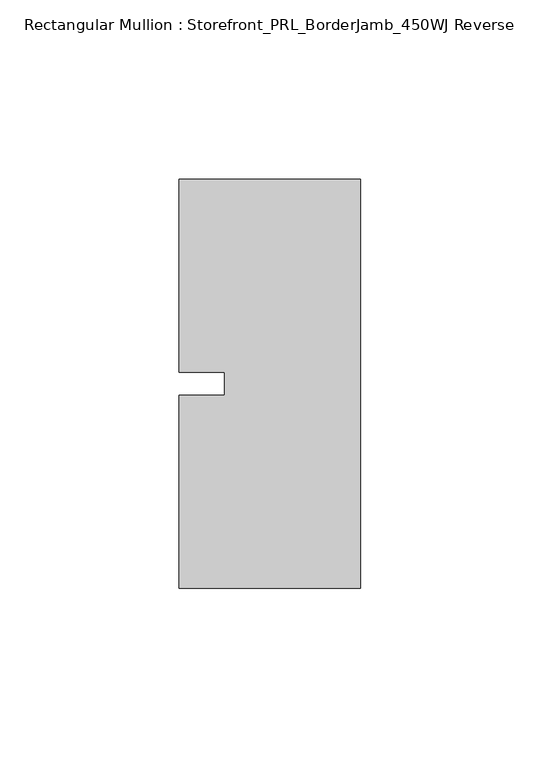
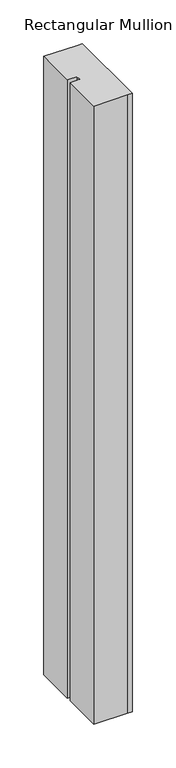
"""IFC4 building model written with IfcOpenShell, lengths in millimetres: member geometry, Rectangular Mullion : Storefront_PRL_BorderJamb_450WJ Reverse."""

import ifcopenshell
import ifcopenshell.guid

model = None  # the IFC model being written
_history = None  # IfcOwnerHistory: only IFC2X3 demands one
_inside = {}  # id of a spatial element -> (the spatial element, [elements in it])
_under = {}  # id of a project, library or spatial element -> (it, [spatial elements below it])
_declared = {}  # id of a project -> (the project, [libraries it declares])
_typed = {}  # id of a type object -> (the type object, [elements of that type])
_made_of = {}  # id of a material, layer set ... -> (it, [elements and type objects made of it])


def new_model(schema):
    """Start an empty IFC model of exactly this schema.

    Asked for "IFC4X3", IfcOpenShell would pick the latest addendum, in which some entities
    have other attributes; the version numbers below select the first issue.
    IFC2X3 requires an IfcOwnerHistory on every rooted entity: one is made here for all.
    """
    global model, _history
    if schema == "IFC4X3":
        model = ifcopenshell.file(schema_version=(4, 3, 0, 0))
    else:
        model = ifcopenshell.file(schema=schema)
    _inside.clear()
    _under.clear()
    _declared.clear()
    _typed.clear()
    _made_of.clear()
    _history = None
    if model.schema == "IFC2X3":
        org = make("IfcOrganization", Name="unknown")
        user = make(
            "IfcPersonAndOrganization",
            ThePerson=make("IfcPerson", FamilyName="unknown"),
            TheOrganization=org,
        )
        app = make(
            "IfcApplication",
            ApplicationDeveloper=org,
            Version="unknown",
            ApplicationFullName="unknown",
            ApplicationIdentifier="unknown",
        )
        _history = make(
            "IfcOwnerHistory",
            OwningUser=user,
            OwningApplication=app,
            ChangeAction="ADDED",
            CreationDate=0,
        )
    return model


def make(cls, **values):
    """One entity of the class cls with the attributes given. An attribute that is None is left unset."""
    return model.create_entity(
        cls, **{name: value for name, value in values.items() if value is not None}
    )


def rooted(cls, **values):
    """An entity with a GlobalId (a new one), such as an element, a storey or a relation."""
    return make(cls, GlobalId=ifcopenshell.guid.new(), OwnerHistory=_history, **values)


def si_unit(unit_type, name, prefix=None):
    """IfcSIUnit, for example si_unit("LENGTHUNIT", "METRE", prefix="MILLI")."""
    return make("IfcSIUnit", UnitType=unit_type, Prefix=prefix, Name=name)


def assignment(units):
    """IfcUnitAssignment: the units of a project."""
    return None if units is None else make("IfcUnitAssignment", Units=units)


def point(xyz):
    """IfcCartesianPoint."""
    return None if xyz is None else make("IfcCartesianPoint", Coordinates=xyz)


def direction(xyz):
    """IfcDirection."""
    return None if xyz is None else make("IfcDirection", DirectionRatios=xyz)


def frame(location, z_axis=None, x_axis=None):
    """IfcAxis2Placement3D, a coordinate frame: its origin and axes. An axis left out is left unset."""
    return make(
        "IfcAxis2Placement3D",
        Location=point(location),
        Axis=direction(z_axis),
        RefDirection=direction(x_axis),
    )


def origin():
    """The frame at (0, 0, 0) with its axes left unset."""
    return frame((0.0, 0.0, 0.0))


def place(relative_to, where):
    """IfcLocalPlacement: puts the frame where relative to a parent placement (None: the world)."""
    return make(
        "IfcLocalPlacement", PlacementRelTo=relative_to, RelativePlacement=where
    )


def context(
    kind, dimensions, precision=None, world=None, true_north=None, identifier=None
):
    """IfcGeometricRepresentationContext, for example the 3D "Model" context."""
    return make(
        "IfcGeometricRepresentationContext",
        ContextIdentifier=identifier,
        ContextType=kind,
        CoordinateSpaceDimension=dimensions,
        Precision=precision,
        WorldCoordinateSystem=world,
        TrueNorth=true_north,
    )


def project(units=None, contexts=None):
    """IfcProject with its units and contexts."""
    return rooted(
        "IfcProject",
        Name="project",
        RepresentationContexts=contexts,
        UnitsInContext=assignment(units),
    )


def spatial(cls, under=None, at=None, **own):
    """A site, building, storey or space (cls), placed at a placement, below another one or the project."""
    s = rooted(cls, ObjectPlacement=at, **own)
    if under is not None:
        _under.setdefault(under.id(), (under, []))[1].append(s)
    return s


def polyline(points):
    """IfcPolyline through the points."""
    return make("IfcPolyline", Points=[point(p) for p in points])


def outline(outer, holes=None, kind="AREA"):
    """IfcArbitraryClosedProfileDef: a profile drawn as a closed curve; with holes, ...WithVoids."""
    if holes is None:
        return make("IfcArbitraryClosedProfileDef", ProfileType=kind, OuterCurve=outer)
    return make(
        "IfcArbitraryProfileDefWithVoids",
        ProfileType=kind,
        OuterCurve=outer,
        InnerCurves=holes,
    )


def extrude(swept, where, along, depth):
    """IfcExtrudedAreaSolid: the profile swept, set in the frame where, extruded along a direction by depth."""
    return make(
        "IfcExtrudedAreaSolid",
        SweptArea=swept,
        Position=where,
        ExtrudedDirection=direction(along),
        Depth=depth,
    )


def shape(context_of_items, identifier, shape_type, items):
    """IfcShapeRepresentation: the items that make up one representation, for example the "Body"."""
    return make(
        "IfcShapeRepresentation",
        ContextOfItems=context_of_items,
        RepresentationIdentifier=identifier,
        RepresentationType=shape_type,
        Items=items,
    )


def source(mapping_origin, context_of_items, identifier, shape_type, items):
    """IfcRepresentationMap: a shape defined once, which mapped items show again and again."""
    return make(
        "IfcRepresentationMap",
        MappingOrigin=mapping_origin,
        MappedRepresentation=shape(context_of_items, identifier, shape_type, items),
    )


def transform(
    local_origin,
    x_axis=None,
    y_axis=None,
    z_axis=None,
    scale=None,
    scale2=None,
    scale3=None,
    uniform=True,
):
    """IfcCartesianTransformationOperator3D, or its non-uniform kind. x_axis, y_axis, z_axis: its Axis1, 2, 3."""
    if uniform:
        return make(
            "IfcCartesianTransformationOperator3D",
            Axis1=direction(x_axis),
            Axis2=direction(y_axis),
            LocalOrigin=point(local_origin),
            Scale=scale,
            Axis3=direction(z_axis),
        )
    return make(
        "IfcCartesianTransformationOperator3DnonUniform",
        Axis1=direction(x_axis),
        Axis2=direction(y_axis),
        LocalOrigin=point(local_origin),
        Scale=scale,
        Axis3=direction(z_axis),
        Scale2=scale2,
        Scale3=scale3,
    )


def mapped(mapping_source, mapping_target):
    """IfcMappedItem: shows the shape of a source again, moved by a transform."""
    return make(
        "IfcMappedItem", MappingSource=mapping_source, MappingTarget=mapping_target
    )


def made_of(thing, what):
    """Note that an element or type object is made of a material, layer set ...; save() writes the relation."""
    if what is not None:
        _made_of.setdefault(what.id(), (what, []))[1].append(thing)
    return thing


def element(
    cls,
    number,
    at=None,
    inside=None,
    cuts=None,
    type_object=None,
    material=None,
    context=None,
    identifier="Body",
    shape_type=None,
    held_by="IfcProductDefinitionShape",
    body=None,
    shapes=None,
    **own,
):
    """One element of the class cls, such as IfcWall. Its Tag is "e" and its number.

    at: its placement. inside: the storey or other place that contains it. cuts: it is an
    opening in that element (IfcRelVoidsElement). A single representation is given by context,
    identifier, shape_type and body (its items); several are given by shapes. held_by: the class
    of the entity that holds the representations. save() writes the other relations.
    """
    e = rooted(cls, Tag="e%d" % number, ObjectPlacement=at, **own)
    if body is not None:
        shapes = [shape(context, identifier, shape_type, body)]
    if shapes is not None:
        e.Representation = make(held_by, Representations=shapes)
    if inside is not None:
        _inside.setdefault(inside.id(), (inside, []))[1].append(e)
    if cuts is not None:
        rooted(
            "IfcRelVoidsElement", RelatingBuildingElement=cuts, RelatedOpeningElement=e
        )
    if type_object is not None:
        _typed.setdefault(type_object.id(), (type_object, []))[1].append(e)
    return made_of(e, material)


def aggregate(whole, parts):
    """IfcRelAggregates: a whole, such as a stair, and the parts it consists of."""
    return rooted("IfcRelAggregates", RelatingObject=whole, RelatedObjects=parts)


def save(model, path):
    """Write the relations noted so far, then the file.

    IfcRelAggregates (storeys below a building ...), IfcRelContainedInSpatialStructure (elements
    in a storey), IfcRelDefinesByType, IfcRelAssociatesMaterial and IfcRelDeclares: one each for
    every whole, place, type object, material and project.
    """
    for whole, parts in _under.values():
        aggregate(whole, parts)
    for where, things in _inside.values():
        rooted(
            "IfcRelContainedInSpatialStructure",
            RelatedElements=things,
            RelatingStructure=where,
        )
    for kind, things in _typed.values():
        rooted("IfcRelDefinesByType", RelatedObjects=things, RelatingType=kind)
    for what, things in _made_of.values():
        rooted("IfcRelAssociatesMaterial", RelatedObjects=things, RelatingMaterial=what)
    for by, libraries in _declared.values():
        rooted("IfcRelDeclares", RelatingContext=by, RelatedDefinitions=libraries)
    model.write(path)


def rectangular_mullion_storefront_prl_borderjamb_450wj_reverse_3b39d6e1(model_context):
    return source(origin(), model_context, "Body", "SweptSolid", [
        extrude(outline(polyline([(-38.1, -3.175), (-38.1, 3.175), (-50.8, 3.175), (-50.8, 57.15), (-7.3958824, 57.15), (0.0, 57.15), (0.0, -57.15), (-6.35, -57.15), (-50.8, -57.15), (-50.8, -3.175), (-38.1, -3.175)])), frame((0.0, 0.0, -863.6), z_axis=(0.0, 0.0, 1.0), x_axis=(1.0, 0.0, 0.0)), (0.0, 0.0, 1.0), 863.6),
    ])


if __name__ == "__main__":
    model = new_model("IFC4")
    model_context = context("Model", 3, world=origin())
    ifc_project = project(units=[si_unit("LENGTHUNIT", "METRE", prefix="MILLI")], contexts=[model_context])
    site = spatial("IfcSite", under=ifc_project)
    building = spatial("IfcBuilding", under=site)
    placement = place(None, origin())
    rectangular_mullion_storefront_prl_borderjamb_450wj_reverse_shape = rectangular_mullion_storefront_prl_borderjamb_450wj_reverse_3b39d6e1(model_context)
    element("IfcMember", 1, ObjectType="Rectangular Mullion : Storefront_PRL_BorderJamb_450WJ Reverse", at=placement, inside=building, context=model_context, shape_type="MappedRepresentation", body=[
        mapped(rectangular_mullion_storefront_prl_borderjamb_450wj_reverse_shape, transform((0.0, 0.0, 0.0), x_axis=(1.0, 0.0, 0.0), y_axis=(0.0, 1.0, 0.0), z_axis=(0.0, 0.0, 1.0))),
    ])
    save(model, "model.ifc")
